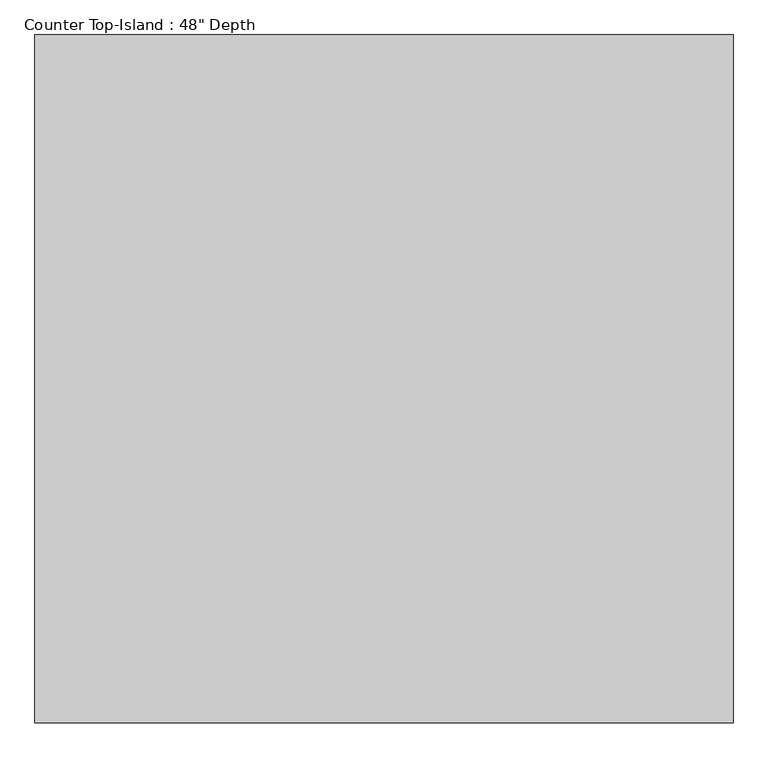
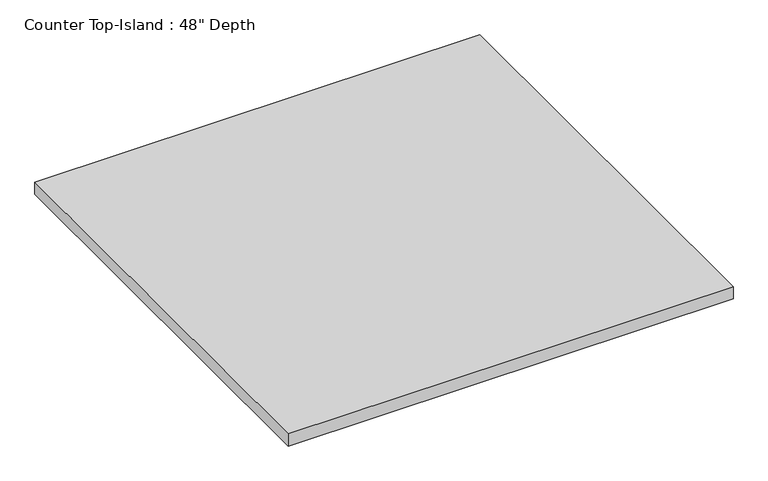
"""IFC4 building model written with IfcOpenShell, lengths in millimetres: furniture geometry."""

from ifc_helpers import new_model, si_unit, frame, origin, place, context, project, spatial, polyline, outline, extrude, source, transform, mapped, element, save


def furniture_148b258b(model_context):
    return source(origin(), model_context, "Body", "SweptSolid", [
        extrude(outline(polyline([(118.2045643, 25.4), (118.2045643, -1274.8882272), (-1200.4622951, -1274.8882272), (-1200.4622951, 25.4), (118.2045643, 25.4)])), frame((0.0, 0.0, 876.3), z_axis=(0.0, 0.0, 1.0), x_axis=(1.0, 0.0, 0.0)), (0.0, 0.0, 1.0), 38.1),
    ])


if __name__ == "__main__":
    model = new_model("IFC4")
    model_context = context("Model", 3, world=origin())
    ifc_project = project(units=[si_unit("LENGTHUNIT", "METRE", prefix="MILLI")], contexts=[model_context])
    site = spatial("IfcSite", under=ifc_project)
    building = spatial("IfcBuilding", under=site)
    placement = place(None, origin())
    furniture_shape = furniture_148b258b(model_context)
    element("IfcFurniture", 1, ObjectType="Counter Top-Island : 48\" Depth", at=placement, inside=building, context=model_context, shape_type="MappedRepresentation", body=[
        mapped(furniture_shape, transform((0.0, 0.0, 0.0), x_axis=(1.0, 0.0, 0.0), y_axis=(0.0, 1.0, 0.0), z_axis=(0.0, 0.0, 1.0))),
    ])
    save(model, "model.ifc")
